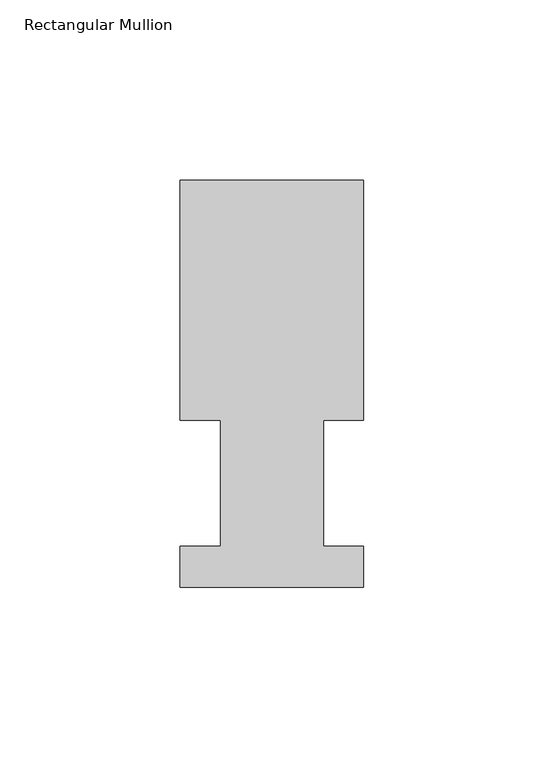
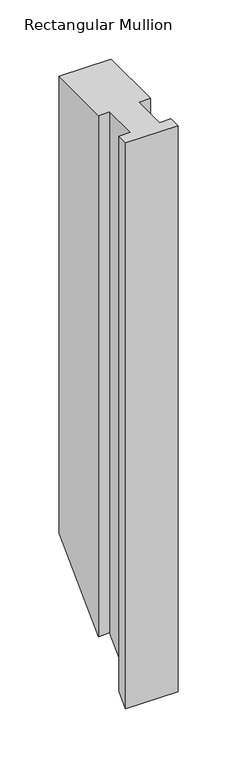
"""IFC4 building model written with IfcOpenShell, lengths in millimetres: member geometry, Rectangular Mullion."""

import ifcopenshell
import ifcopenshell.guid

model = None  # the IFC model being written
_history = None  # IfcOwnerHistory: only IFC2X3 demands one
_inside = {}  # id of a spatial element -> (the spatial element, [elements in it])
_under = {}  # id of a project, library or spatial element -> (it, [spatial elements below it])
_declared = {}  # id of a project -> (the project, [libraries it declares])
_typed = {}  # id of a type object -> (the type object, [elements of that type])
_made_of = {}  # id of a material, layer set ... -> (it, [elements and type objects made of it])


def new_model(schema):
    """Start an empty IFC model of exactly this schema.

    Asked for "IFC4X3", IfcOpenShell would pick the latest addendum, in which some entities
    have other attributes; the version numbers below select the first issue.
    IFC2X3 requires an IfcOwnerHistory on every rooted entity: one is made here for all.
    """
    global model, _history
    if schema == "IFC4X3":
        model = ifcopenshell.file(schema_version=(4, 3, 0, 0))
    else:
        model = ifcopenshell.file(schema=schema)
    _inside.clear()
    _under.clear()
    _declared.clear()
    _typed.clear()
    _made_of.clear()
    _history = None
    if model.schema == "IFC2X3":
        org = make("IfcOrganization", Name="unknown")
        user = make(
            "IfcPersonAndOrganization",
            ThePerson=make("IfcPerson", FamilyName="unknown"),
            TheOrganization=org,
        )
        app = make(
            "IfcApplication",
            ApplicationDeveloper=org,
            Version="unknown",
            ApplicationFullName="unknown",
            ApplicationIdentifier="unknown",
        )
        _history = make(
            "IfcOwnerHistory",
            OwningUser=user,
            OwningApplication=app,
            ChangeAction="ADDED",
            CreationDate=0,
        )
    return model


def make(cls, **values):
    """One entity of the class cls with the attributes given. An attribute that is None is left unset."""
    return model.create_entity(
        cls, **{name: value for name, value in values.items() if value is not None}
    )


def rooted(cls, **values):
    """An entity with a GlobalId (a new one), such as an element, a storey or a relation."""
    return make(cls, GlobalId=ifcopenshell.guid.new(), OwnerHistory=_history, **values)


def si_unit(unit_type, name, prefix=None):
    """IfcSIUnit, for example si_unit("LENGTHUNIT", "METRE", prefix="MILLI")."""
    return make("IfcSIUnit", UnitType=unit_type, Prefix=prefix, Name=name)


def assignment(units):
    """IfcUnitAssignment: the units of a project."""
    return None if units is None else make("IfcUnitAssignment", Units=units)


def point(xyz):
    """IfcCartesianPoint."""
    return None if xyz is None else make("IfcCartesianPoint", Coordinates=xyz)


def direction(xyz):
    """IfcDirection."""
    return None if xyz is None else make("IfcDirection", DirectionRatios=xyz)


def frame(location, z_axis=None, x_axis=None):
    """IfcAxis2Placement3D, a coordinate frame: its origin and axes. An axis left out is left unset."""
    return make(
        "IfcAxis2Placement3D",
        Location=point(location),
        Axis=direction(z_axis),
        RefDirection=direction(x_axis),
    )


def origin():
    """The frame at (0, 0, 0) with its axes left unset."""
    return frame((0.0, 0.0, 0.0))


def place(relative_to, where):
    """IfcLocalPlacement: puts the frame where relative to a parent placement (None: the world)."""
    return make(
        "IfcLocalPlacement", PlacementRelTo=relative_to, RelativePlacement=where
    )


def context(
    kind, dimensions, precision=None, world=None, true_north=None, identifier=None
):
    """IfcGeometricRepresentationContext, for example the 3D "Model" context."""
    return make(
        "IfcGeometricRepresentationContext",
        ContextIdentifier=identifier,
        ContextType=kind,
        CoordinateSpaceDimension=dimensions,
        Precision=precision,
        WorldCoordinateSystem=world,
        TrueNorth=true_north,
    )


def project(units=None, contexts=None):
    """IfcProject with its units and contexts."""
    return rooted(
        "IfcProject",
        Name="project",
        RepresentationContexts=contexts,
        UnitsInContext=assignment(units),
    )


def spatial(cls, under=None, at=None, **own):
    """A site, building, storey or space (cls), placed at a placement, below another one or the project."""
    s = rooted(cls, ObjectPlacement=at, **own)
    if under is not None:
        _under.setdefault(under.id(), (under, []))[1].append(s)
    return s


def faces_of(points, faces, orient=None, outer=None):
    """IfcFace entities. A face is a list of loops; a loop is a list of indices into points, from 0.

    orient and outer hold one flag for each loop. By default every Orientation is true, the
    first loop of a face is its IfcFaceOuterBound and the others are IfcFaceBound.
    """
    made = []
    for i, loops in enumerate(faces):
        bounds = []
        for j, loop in enumerate(loops):
            is_outer = j == 0 if outer is None else outer[i][j]
            bounds.append(
                make(
                    "IfcFaceOuterBound" if is_outer else "IfcFaceBound",
                    Bound=make("IfcPolyLoop", Polygon=[points[k] for k in loop]),
                    Orientation=True if orient is None else orient[i][j],
                )
            )
        made.append(make("IfcFace", Bounds=bounds))
    return made


def faceted_brep(points, faces, orient=None, outer=None, voids=None):
    """IfcFacetedBrep: a solid bounded by flat faces; with voids (closed shells), ...WithVoids."""
    shared = [point(p) for p in points]
    hull = make("IfcClosedShell", CfsFaces=faces_of(shared, faces, orient, outer))
    if voids is None:
        return make("IfcFacetedBrep", Outer=hull)
    return make(
        "IfcFacetedBrepWithVoids",
        Outer=hull,
        Voids=[
            make(cls, CfsFaces=faces_of(shared, fs, o, b)) for cls, fs, o, b in voids
        ],
    )


def shape(context_of_items, identifier, shape_type, items):
    """IfcShapeRepresentation: the items that make up one representation, for example the "Body"."""
    return make(
        "IfcShapeRepresentation",
        ContextOfItems=context_of_items,
        RepresentationIdentifier=identifier,
        RepresentationType=shape_type,
        Items=items,
    )


def source(mapping_origin, context_of_items, identifier, shape_type, items):
    """IfcRepresentationMap: a shape defined once, which mapped items show again and again."""
    return make(
        "IfcRepresentationMap",
        MappingOrigin=mapping_origin,
        MappedRepresentation=shape(context_of_items, identifier, shape_type, items),
    )


def transform(
    local_origin,
    x_axis=None,
    y_axis=None,
    z_axis=None,
    scale=None,
    scale2=None,
    scale3=None,
    uniform=True,
):
    """IfcCartesianTransformationOperator3D, or its non-uniform kind. x_axis, y_axis, z_axis: its Axis1, 2, 3."""
    if uniform:
        return make(
            "IfcCartesianTransformationOperator3D",
            Axis1=direction(x_axis),
            Axis2=direction(y_axis),
            LocalOrigin=point(local_origin),
            Scale=scale,
            Axis3=direction(z_axis),
        )
    return make(
        "IfcCartesianTransformationOperator3DnonUniform",
        Axis1=direction(x_axis),
        Axis2=direction(y_axis),
        LocalOrigin=point(local_origin),
        Scale=scale,
        Axis3=direction(z_axis),
        Scale2=scale2,
        Scale3=scale3,
    )


def mapped(mapping_source, mapping_target):
    """IfcMappedItem: shows the shape of a source again, moved by a transform."""
    return make(
        "IfcMappedItem", MappingSource=mapping_source, MappingTarget=mapping_target
    )


def made_of(thing, what):
    """Note that an element or type object is made of a material, layer set ...; save() writes the relation."""
    if what is not None:
        _made_of.setdefault(what.id(), (what, []))[1].append(thing)
    return thing


def element(
    cls,
    number,
    at=None,
    inside=None,
    cuts=None,
    type_object=None,
    material=None,
    context=None,
    identifier="Body",
    shape_type=None,
    held_by="IfcProductDefinitionShape",
    body=None,
    shapes=None,
    **own,
):
    """One element of the class cls, such as IfcWall. Its Tag is "e" and its number.

    at: its placement. inside: the storey or other place that contains it. cuts: it is an
    opening in that element (IfcRelVoidsElement). A single representation is given by context,
    identifier, shape_type and body (its items); several are given by shapes. held_by: the class
    of the entity that holds the representations. save() writes the other relations.
    """
    e = rooted(cls, Tag="e%d" % number, ObjectPlacement=at, **own)
    if body is not None:
        shapes = [shape(context, identifier, shape_type, body)]
    if shapes is not None:
        e.Representation = make(held_by, Representations=shapes)
    if inside is not None:
        _inside.setdefault(inside.id(), (inside, []))[1].append(e)
    if cuts is not None:
        rooted(
            "IfcRelVoidsElement", RelatingBuildingElement=cuts, RelatedOpeningElement=e
        )
    if type_object is not None:
        _typed.setdefault(type_object.id(), (type_object, []))[1].append(e)
    return made_of(e, material)


def aggregate(whole, parts):
    """IfcRelAggregates: a whole, such as a stair, and the parts it consists of."""
    return rooted("IfcRelAggregates", RelatingObject=whole, RelatedObjects=parts)


def save(model, path):
    """Write the relations noted so far, then the file.

    IfcRelAggregates (storeys below a building ...), IfcRelContainedInSpatialStructure (elements
    in a storey), IfcRelDefinesByType, IfcRelAssociatesMaterial and IfcRelDeclares: one each for
    every whole, place, type object, material and project.
    """
    for whole, parts in _under.values():
        aggregate(whole, parts)
    for where, things in _inside.values():
        rooted(
            "IfcRelContainedInSpatialStructure",
            RelatedElements=things,
            RelatingStructure=where,
        )
    for kind, things in _typed.values():
        rooted("IfcRelDefinesByType", RelatedObjects=things, RelatingType=kind)
    for what, things in _made_of.values():
        rooted("IfcRelAssociatesMaterial", RelatedObjects=things, RelatingMaterial=what)
    for by, libraries in _declared.values():
        rooted("IfcRelDeclares", RelatingContext=by, RelatedDefinitions=libraries)
    model.write(path)


def rectangular_mullion_d70d98a0(model_context):
    return source(origin(), model_context, "Body", "Brep", [
        faceted_brep([(-50.8, 0.739775, 0.0), (0.0, 0.739775, 0.0), (0.0, 12.144375, 0.0), (-11.0998, 12.144375, 0.0), (-11.0998, 47.069375, 0.0), (0.0, 47.069375, 0.0), (0.0, 113.464975, 0.0), (-50.8, 113.464975, 0.0), (-50.8, 47.069375, 0.0), (-39.6875, 47.069375, 0.0), (-39.6875, 12.144375, 0.0), (-50.8, 12.144375, 0.0), (-50.8, 0.739775, -583.460225), (0.0, 0.739775, -583.460225), (0.0, 12.144375, -572.055625), (-11.0998, 12.144375, -572.055625), (-11.0998, 47.069375, -537.130625), (0.0, 47.069375, -537.130625), (0.0, 113.464975, -470.735025), (-50.8, 113.464975, -470.735025), (-50.8, 47.069375, -537.130625), (-39.6875, 47.069375, -537.130625), (-39.6875, 12.144375, -572.055625), (-50.8, 12.144375, -572.055625)], [[[0, 1, 2, 3, 4, 5, 6, 7, 8, 9, 10, 11]], [[1, 0, 12, 13]], [[2, 1, 13, 14]], [[3, 2, 14, 15]], [[4, 3, 15, 16]], [[5, 4, 16, 17]], [[6, 5, 17, 18]], [[7, 6, 18, 19]], [[8, 7, 19, 20]], [[9, 8, 20, 21]], [[10, 9, 21, 22]], [[11, 10, 22, 23]], [[0, 11, 23, 12]], [[12, 23, 22, 21, 20, 19, 18, 17, 16, 15, 14, 13]]]),
    ])


if __name__ == "__main__":
    model = new_model("IFC4")
    model_context = context("Model", 3, world=origin())
    ifc_project = project(units=[si_unit("LENGTHUNIT", "METRE", prefix="MILLI")], contexts=[model_context])
    site = spatial("IfcSite", under=ifc_project)
    building = spatial("IfcBuilding", under=site)
    placement = place(None, origin())
    rectangular_mullion_shape = rectangular_mullion_d70d98a0(model_context)
    element("IfcMember", 1, ObjectType="Rectangular Mullion", at=placement, inside=building, context=model_context, shape_type="MappedRepresentation", body=[
        mapped(rectangular_mullion_shape, transform((0.0, 0.0, 0.0), x_axis=(1.0, 0.0, 0.0), y_axis=(0.0, 1.0, 0.0), z_axis=(0.0, 0.0, 1.0))),
    ])
    save(model, "model.ifc")
